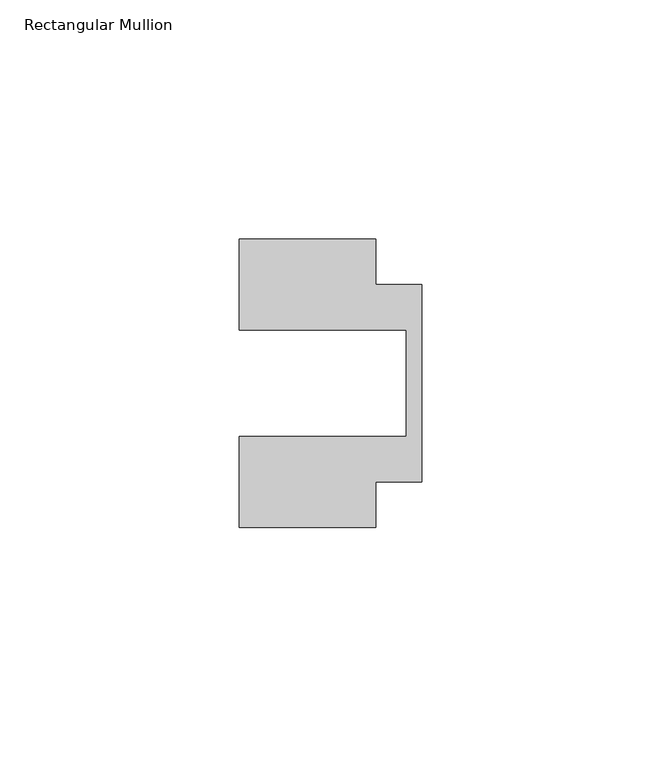
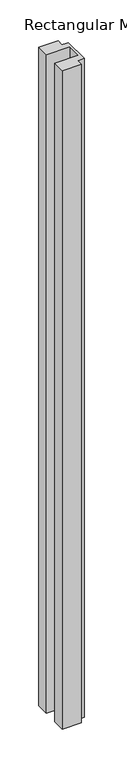
"""IFC4 building model written with IfcOpenShell, lengths in millimetres: member geometry, Rectangular Mullion."""

from ifc_helpers import new_model, si_unit, frame, origin, place, context, project, spatial, polyline, outline, extrude, source, transform, mapped, element, save


def rectangular_mullion_44285364(model_context):
    return source(origin(), model_context, "Body", "SweptSolid", [
        extrude(outline(polyline([(-38.1, 11.1125), (-38.1, 30.1625), (-9.525, 30.1625), (-9.525, 20.6375), (0.0, 20.6375), (0.0, -20.6375), (-9.525, -20.6375), (-9.525, -30.1625), (-38.1, -30.1625), (-38.1, -11.1125), (-3.175, -11.1125), (-3.175, 11.1125), (-38.1, 11.1125)])), frame((0.0, 0.0, -1035.0231001), z_axis=(0.0, 0.0, 1.0), x_axis=(1.0, 0.0, 0.0)), (0.0, 0.0, 1.0), 1035.0231001),
    ])


if __name__ == "__main__":
    model = new_model("IFC4")
    model_context = context("Model", 3, world=origin())
    ifc_project = project(units=[si_unit("LENGTHUNIT", "METRE", prefix="MILLI")], contexts=[model_context])
    site = spatial("IfcSite", under=ifc_project)
    building = spatial("IfcBuilding", under=site)
    placement = place(None, origin())
    rectangular_mullion_shape = rectangular_mullion_44285364(model_context)
    element("IfcMember", 1, ObjectType="Rectangular Mullion", at=placement, inside=building, context=model_context, shape_type="MappedRepresentation", body=[
        mapped(rectangular_mullion_shape, transform((0.0, 0.0, 0.0), x_axis=(1.0, 0.0, 0.0), y_axis=(0.0, 1.0, 0.0), z_axis=(0.0, 0.0, 1.0))),
    ])
    save(model, "model.ifc")
